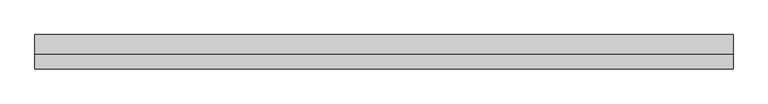
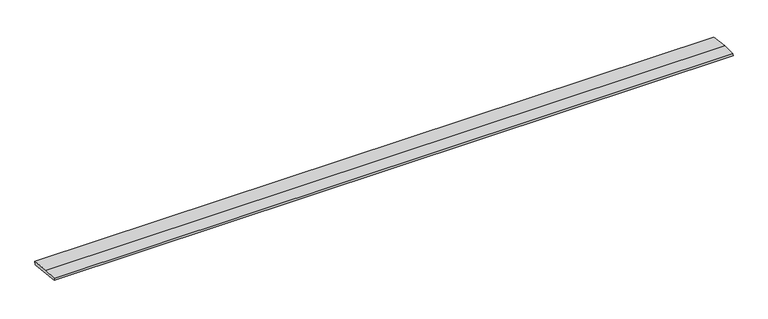
"""IFC4 building model written with IfcOpenShell, lengths in millimetres: beam geometry."""

from ifc_helpers import new_model, si_unit, frame, origin, place, context, project, spatial, polyline, outline, extrude, source, transform, mapped, element, save


def beam_b49289d9(model_context):
    return source(origin(), model_context, "Body", "SweptSolid", [
        extrude(outline(polyline([(0.0, -9.143159), (1.1226388, 0.0), (79.0749747, 0.0), (180.9387048, -12.5072934), (178.6231873, -31.3656703), (0.0, -9.143159)])), frame((-1836.1852258, 0.0, 0.0), z_axis=(1.0, 0.0, 0.0), x_axis=(0.0, 1.0, 0.0)), (0.0, 0.0, 1.0), 3672.3704516),
    ])


if __name__ == "__main__":
    model = new_model("IFC4")
    model_context = context("Model", 3, world=origin())
    ifc_project = project(units=[si_unit("LENGTHUNIT", "METRE", prefix="MILLI")], contexts=[model_context])
    site = spatial("IfcSite", under=ifc_project)
    building = spatial("IfcBuilding", under=site)
    placement = place(None, origin())
    beam_shape = beam_b49289d9(model_context)
    element("IfcBeam", 1, at=placement, inside=building, context=model_context, shape_type="MappedRepresentation", body=[
        mapped(beam_shape, transform((0.0, 0.0, 0.0), x_axis=(1.0, 0.0, 0.0), y_axis=(0.0, 1.0, 0.0), z_axis=(0.0, 0.0, 1.0))),
    ])
    save(model, "model.ifc")
